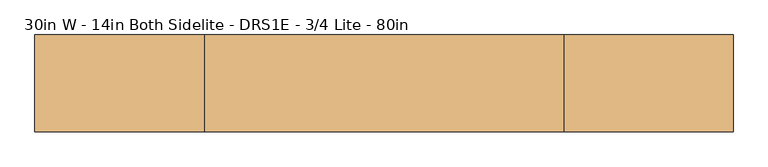
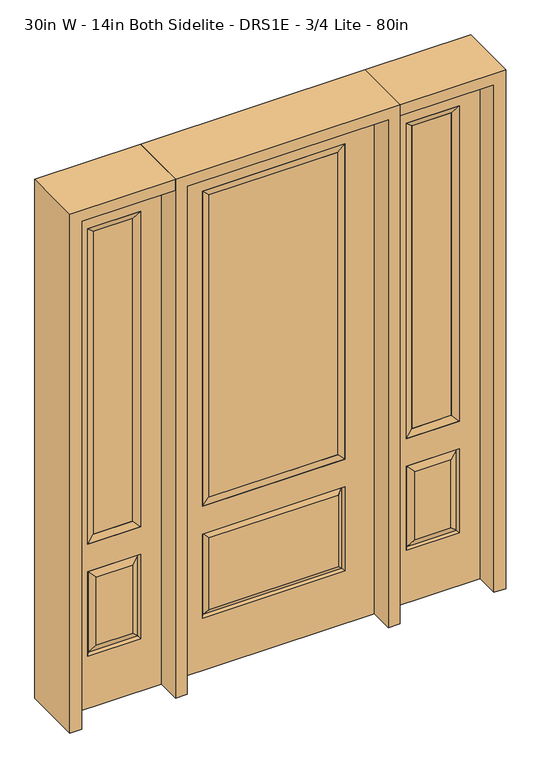
"""IFC4 building model written with IfcOpenShell, lengths in millimetres: door geometry, 30in W - 14in Both Sidelite - DRS1E - 3/4 Lite - 80in."""

import ifcopenshell
import ifcopenshell.guid

model = None  # the IFC model being written
_history = None  # IfcOwnerHistory: only IFC2X3 demands one
_inside = {}  # id of a spatial element -> (the spatial element, [elements in it])
_under = {}  # id of a project, library or spatial element -> (it, [spatial elements below it])
_declared = {}  # id of a project -> (the project, [libraries it declares])
_typed = {}  # id of a type object -> (the type object, [elements of that type])
_made_of = {}  # id of a material, layer set ... -> (it, [elements and type objects made of it])


def new_model(schema):
    """Start an empty IFC model of exactly this schema.

    Asked for "IFC4X3", IfcOpenShell would pick the latest addendum, in which some entities
    have other attributes; the version numbers below select the first issue.
    IFC2X3 requires an IfcOwnerHistory on every rooted entity: one is made here for all.
    """
    global model, _history
    if schema == "IFC4X3":
        model = ifcopenshell.file(schema_version=(4, 3, 0, 0))
    else:
        model = ifcopenshell.file(schema=schema)
    _inside.clear()
    _under.clear()
    _declared.clear()
    _typed.clear()
    _made_of.clear()
    _history = None
    if model.schema == "IFC2X3":
        org = make("IfcOrganization", Name="unknown")
        user = make(
            "IfcPersonAndOrganization",
            ThePerson=make("IfcPerson", FamilyName="unknown"),
            TheOrganization=org,
        )
        app = make(
            "IfcApplication",
            ApplicationDeveloper=org,
            Version="unknown",
            ApplicationFullName="unknown",
            ApplicationIdentifier="unknown",
        )
        _history = make(
            "IfcOwnerHistory",
            OwningUser=user,
            OwningApplication=app,
            ChangeAction="ADDED",
            CreationDate=0,
        )
    return model


def make(cls, **values):
    """One entity of the class cls with the attributes given. An attribute that is None is left unset."""
    return model.create_entity(
        cls, **{name: value for name, value in values.items() if value is not None}
    )


def rooted(cls, **values):
    """An entity with a GlobalId (a new one), such as an element, a storey or a relation."""
    return make(cls, GlobalId=ifcopenshell.guid.new(), OwnerHistory=_history, **values)


def si_unit(unit_type, name, prefix=None):
    """IfcSIUnit, for example si_unit("LENGTHUNIT", "METRE", prefix="MILLI")."""
    return make("IfcSIUnit", UnitType=unit_type, Prefix=prefix, Name=name)


def assignment(units):
    """IfcUnitAssignment: the units of a project."""
    return None if units is None else make("IfcUnitAssignment", Units=units)


def point(xyz):
    """IfcCartesianPoint."""
    return None if xyz is None else make("IfcCartesianPoint", Coordinates=xyz)


def direction(xyz):
    """IfcDirection."""
    return None if xyz is None else make("IfcDirection", DirectionRatios=xyz)


def frame(location, z_axis=None, x_axis=None):
    """IfcAxis2Placement3D, a coordinate frame: its origin and axes. An axis left out is left unset."""
    return make(
        "IfcAxis2Placement3D",
        Location=point(location),
        Axis=direction(z_axis),
        RefDirection=direction(x_axis),
    )


def origin():
    """The frame at (0, 0, 0) with its axes left unset."""
    return frame((0.0, 0.0, 0.0))


def place(relative_to, where):
    """IfcLocalPlacement: puts the frame where relative to a parent placement (None: the world)."""
    return make(
        "IfcLocalPlacement", PlacementRelTo=relative_to, RelativePlacement=where
    )


def context(
    kind, dimensions, precision=None, world=None, true_north=None, identifier=None
):
    """IfcGeometricRepresentationContext, for example the 3D "Model" context."""
    return make(
        "IfcGeometricRepresentationContext",
        ContextIdentifier=identifier,
        ContextType=kind,
        CoordinateSpaceDimension=dimensions,
        Precision=precision,
        WorldCoordinateSystem=world,
        TrueNorth=true_north,
    )


def project(units=None, contexts=None):
    """IfcProject with its units and contexts."""
    return rooted(
        "IfcProject",
        Name="project",
        RepresentationContexts=contexts,
        UnitsInContext=assignment(units),
    )


def spatial(cls, under=None, at=None, **own):
    """A site, building, storey or space (cls), placed at a placement, below another one or the project."""
    s = rooted(cls, ObjectPlacement=at, **own)
    if under is not None:
        _under.setdefault(under.id(), (under, []))[1].append(s)
    return s


def polyline(points):
    """IfcPolyline through the points."""
    return make("IfcPolyline", Points=[point(p) for p in points])


def outline(outer, holes=None, kind="AREA"):
    """IfcArbitraryClosedProfileDef: a profile drawn as a closed curve; with holes, ...WithVoids."""
    if holes is None:
        return make("IfcArbitraryClosedProfileDef", ProfileType=kind, OuterCurve=outer)
    return make(
        "IfcArbitraryProfileDefWithVoids",
        ProfileType=kind,
        OuterCurve=outer,
        InnerCurves=holes,
    )


def extrude(swept, where, along, depth):
    """IfcExtrudedAreaSolid: the profile swept, set in the frame where, extruded along a direction by depth."""
    return make(
        "IfcExtrudedAreaSolid",
        SweptArea=swept,
        Position=where,
        ExtrudedDirection=direction(along),
        Depth=depth,
    )


def faces_of(points, faces, orient=None, outer=None):
    """IfcFace entities. A face is a list of loops; a loop is a list of indices into points, from 0.

    orient and outer hold one flag for each loop. By default every Orientation is true, the
    first loop of a face is its IfcFaceOuterBound and the others are IfcFaceBound.
    """
    made = []
    for i, loops in enumerate(faces):
        bounds = []
        for j, loop in enumerate(loops):
            is_outer = j == 0 if outer is None else outer[i][j]
            bounds.append(
                make(
                    "IfcFaceOuterBound" if is_outer else "IfcFaceBound",
                    Bound=make("IfcPolyLoop", Polygon=[points[k] for k in loop]),
                    Orientation=True if orient is None else orient[i][j],
                )
            )
        made.append(make("IfcFace", Bounds=bounds))
    return made


def faceted_brep(points, faces, orient=None, outer=None, voids=None):
    """IfcFacetedBrep: a solid bounded by flat faces; with voids (closed shells), ...WithVoids."""
    shared = [point(p) for p in points]
    hull = make("IfcClosedShell", CfsFaces=faces_of(shared, faces, orient, outer))
    if voids is None:
        return make("IfcFacetedBrep", Outer=hull)
    return make(
        "IfcFacetedBrepWithVoids",
        Outer=hull,
        Voids=[
            make(cls, CfsFaces=faces_of(shared, fs, o, b)) for cls, fs, o, b in voids
        ],
    )


def shape(context_of_items, identifier, shape_type, items):
    """IfcShapeRepresentation: the items that make up one representation, for example the "Body"."""
    return make(
        "IfcShapeRepresentation",
        ContextOfItems=context_of_items,
        RepresentationIdentifier=identifier,
        RepresentationType=shape_type,
        Items=items,
    )


def source(mapping_origin, context_of_items, identifier, shape_type, items):
    """IfcRepresentationMap: a shape defined once, which mapped items show again and again."""
    return make(
        "IfcRepresentationMap",
        MappingOrigin=mapping_origin,
        MappedRepresentation=shape(context_of_items, identifier, shape_type, items),
    )


def transform(
    local_origin,
    x_axis=None,
    y_axis=None,
    z_axis=None,
    scale=None,
    scale2=None,
    scale3=None,
    uniform=True,
):
    """IfcCartesianTransformationOperator3D, or its non-uniform kind. x_axis, y_axis, z_axis: its Axis1, 2, 3."""
    if uniform:
        return make(
            "IfcCartesianTransformationOperator3D",
            Axis1=direction(x_axis),
            Axis2=direction(y_axis),
            LocalOrigin=point(local_origin),
            Scale=scale,
            Axis3=direction(z_axis),
        )
    return make(
        "IfcCartesianTransformationOperator3DnonUniform",
        Axis1=direction(x_axis),
        Axis2=direction(y_axis),
        LocalOrigin=point(local_origin),
        Scale=scale,
        Axis3=direction(z_axis),
        Scale2=scale2,
        Scale3=scale3,
    )


def mapped(mapping_source, mapping_target):
    """IfcMappedItem: shows the shape of a source again, moved by a transform."""
    return make(
        "IfcMappedItem", MappingSource=mapping_source, MappingTarget=mapping_target
    )


def made_of(thing, what):
    """Note that an element or type object is made of a material, layer set ...; save() writes the relation."""
    if what is not None:
        _made_of.setdefault(what.id(), (what, []))[1].append(thing)
    return thing


def element(
    cls,
    number,
    at=None,
    inside=None,
    cuts=None,
    type_object=None,
    material=None,
    context=None,
    identifier="Body",
    shape_type=None,
    held_by="IfcProductDefinitionShape",
    body=None,
    shapes=None,
    **own,
):
    """One element of the class cls, such as IfcWall. Its Tag is "e" and its number.

    at: its placement. inside: the storey or other place that contains it. cuts: it is an
    opening in that element (IfcRelVoidsElement). A single representation is given by context,
    identifier, shape_type and body (its items); several are given by shapes. held_by: the class
    of the entity that holds the representations. save() writes the other relations.
    """
    e = rooted(cls, Tag="e%d" % number, ObjectPlacement=at, **own)
    if body is not None:
        shapes = [shape(context, identifier, shape_type, body)]
    if shapes is not None:
        e.Representation = make(held_by, Representations=shapes)
    if inside is not None:
        _inside.setdefault(inside.id(), (inside, []))[1].append(e)
    if cuts is not None:
        rooted(
            "IfcRelVoidsElement", RelatingBuildingElement=cuts, RelatedOpeningElement=e
        )
    if type_object is not None:
        _typed.setdefault(type_object.id(), (type_object, []))[1].append(e)
    return made_of(e, material)


def aggregate(whole, parts):
    """IfcRelAggregates: a whole, such as a stair, and the parts it consists of."""
    return rooted("IfcRelAggregates", RelatingObject=whole, RelatedObjects=parts)


def save(model, path):
    """Write the relations noted so far, then the file.

    IfcRelAggregates (storeys below a building ...), IfcRelContainedInSpatialStructure (elements
    in a storey), IfcRelDefinesByType, IfcRelAssociatesMaterial and IfcRelDeclares: one each for
    every whole, place, type object, material and project.
    """
    for whole, parts in _under.values():
        aggregate(whole, parts)
    for where, things in _inside.values():
        rooted(
            "IfcRelContainedInSpatialStructure",
            RelatedElements=things,
            RelatingStructure=where,
        )
    for kind, things in _typed.values():
        rooted("IfcRelDefinesByType", RelatedObjects=things, RelatingType=kind)
    for what, things in _made_of.values():
        rooted("IfcRelAssociatesMaterial", RelatedObjects=things, RelatingMaterial=what)
    for by, libraries in _declared.values():
        rooted("IfcRelDeclares", RelatingContext=by, RelatedDefinitions=libraries)
    model.write(path)


def door_30in_w_14in_both_sidelite_drs1e_3_4_lite_80in_07d39ec7(model_context):
    return source(origin(), model_context, "Body", "SolidModel", [
        faceted_brep([(425.45, -22.225, 0.0), (781.05, -22.225, 0.0), (781.05, -22.225, 2032.0), (425.45, -22.225, 2032.0), (703.58, -22.225, 1919.224), (703.58, -22.225, 657.098), (502.92, -22.225, 657.098), (502.92, -22.225, 1919.224), (703.58, -22.225, 209.55), (502.92, -22.225, 209.55), (502.92, -22.225, 546.1), (703.58, -22.225, 546.1), (534.6351001, -22.225, 241.2651001), (671.8648999, -22.225, 241.2651001), (671.8648999, -22.225, 514.3848999), (534.6351001, -22.225, 514.3848999), (425.45, 22.225, 0.0), (425.45, 22.225, 2032.0), (781.05, 22.225, 2032.0), (781.05, 22.225, 0.0), (703.58, 22.225, 1919.224), (502.92, 22.225, 1919.224), (502.92, 22.225, 657.098), (703.58, 22.225, 657.098), (502.92, 22.225, 209.55), (703.58, 22.225, 209.55), (703.58, 22.225, 546.1), (502.92, 22.225, 546.1), (671.8648999, 22.225, 241.2651001), (534.6351001, 22.225, 241.2651001), (534.6351001, 22.225, 514.3848999), (671.8648999, 22.225, 514.3848999), (696.4711499, 12.7912373, 216.6588501), (510.0288501, 12.7912373, 216.6588501), (510.0288501, 12.7912373, 538.9911499), (696.4711499, 12.7912373, 538.9911499), (510.0288501, -12.7912373, 216.6588501), (696.4711499, -12.7912373, 216.6588501), (510.0288501, -12.7912373, 538.9911499), (696.4711499, -12.7912373, 538.9911499)], [[[0, 1, 2, 3], [4, 5, 6, 7], [8, 9, 10, 11]], [[12, 13, 14, 15]], [[16, 17, 18, 19], [20, 21, 22, 23], [24, 25, 26, 27]], [[28, 29, 30, 31]], [[1, 0, 16, 19]], [[2, 1, 19, 18]], [[3, 2, 18, 17]], [[0, 3, 17, 16]], [[5, 4, 20, 23]], [[6, 5, 23, 22]], [[7, 6, 22, 21]], [[4, 7, 21, 20]], [[32, 33, 29, 28]], [[33, 32, 25, 24]], [[29, 33, 34, 30]], [[33, 24, 27, 34]], [[30, 34, 35, 31]], [[34, 27, 26, 35]], [[32, 28, 31, 35]], [[25, 32, 35, 26]], [[12, 36, 37, 13]], [[37, 36, 9, 8]], [[36, 12, 15, 38]], [[9, 36, 38, 10]], [[38, 15, 14, 39]], [[10, 38, 39, 11]], [[13, 37, 39, 14]], [[37, 8, 11, 39]]]),
        faceted_brep([(502.92, 22.225, 1919.224), (502.92, -22.225, 1919.224), (703.58, -22.225, 1919.224), (703.58, 22.225, 1919.224), (528.32, 12.7, 1893.824), (678.18, 12.7, 1893.824), (528.32, -12.7, 1893.824), (678.18, -12.7, 1893.824), (703.58, -22.225, 657.098), (703.58, 22.225, 657.098), (678.18, 12.7, 682.498), (678.18, -12.7, 682.498), (502.92, -22.225, 657.098), (502.92, 22.225, 657.098), (528.32, 12.7, 682.498), (528.32, -12.7, 682.498)], [[[0, 1, 2, 3]], [[4, 0, 3, 5]], [[6, 4, 5, 7]], [[1, 6, 7, 2]], [[3, 2, 8, 9]], [[5, 3, 9, 10]], [[7, 5, 10, 11]], [[2, 7, 11, 8]], [[9, 8, 12, 13]], [[10, 9, 13, 14]], [[11, 10, 14, 15]], [[8, 11, 15, 12]], [[13, 12, 1, 0]], [[14, 13, 0, 4]], [[15, 14, 4, 6]], [[12, 15, 6, 1]]]),
        extrude(outline(polyline([(678.18, -12.7), (528.32, -12.7), (528.32, 12.7), (678.18, 12.7), (678.18, -12.7)])), frame((0.0, 0.0, 682.498), z_axis=(0.0, 0.0, 1.0), x_axis=(1.0, 0.0, 0.0)), (0.0, 0.0, 1.0), 1211.326),
        faceted_brep([(-781.05, -22.225, 0.0), (-425.45, -22.225, 0.0), (-425.45, -22.225, 2032.0), (-781.05, -22.225, 2032.0), (-502.92, -22.225, 1919.224), (-502.92, -22.225, 657.098), (-703.58, -22.225, 657.098), (-703.58, -22.225, 1919.224), (-502.92, -22.225, 209.55), (-703.58, -22.225, 209.55), (-703.58, -22.225, 546.1), (-502.92, -22.225, 546.1), (-671.8648999, -22.225, 241.2651001), (-534.6351001, -22.225, 241.2651001), (-534.6351001, -22.225, 514.3848999), (-671.8648999, -22.225, 514.3848999), (-781.05, 22.225, 0.0), (-781.05, 22.225, 2032.0), (-425.45, 22.225, 2032.0), (-425.45, 22.225, 0.0), (-502.92, 22.225, 1919.224), (-703.58, 22.225, 1919.224), (-703.58, 22.225, 657.098), (-502.92, 22.225, 657.098), (-703.58, 22.225, 209.55), (-502.92, 22.225, 209.55), (-502.92, 22.225, 546.1), (-703.58, 22.225, 546.1), (-534.6351001, 22.225, 241.2651001), (-671.8648999, 22.225, 241.2651001), (-671.8648999, 22.225, 514.3848999), (-534.6351001, 22.225, 514.3848999), (-510.0288501, 12.7912373, 216.6588501), (-696.4711499, 12.7912373, 216.6588501), (-696.4711499, 12.7912373, 538.9911499), (-510.0288501, 12.7912373, 538.9911499), (-696.4711499, -12.7912373, 216.6588501), (-510.0288501, -12.7912373, 216.6588501), (-696.4711499, -12.7912373, 538.9911499), (-510.0288501, -12.7912373, 538.9911499)], [[[0, 1, 2, 3], [4, 5, 6, 7], [8, 9, 10, 11]], [[12, 13, 14, 15]], [[16, 17, 18, 19], [20, 21, 22, 23], [24, 25, 26, 27]], [[28, 29, 30, 31]], [[1, 0, 16, 19]], [[2, 1, 19, 18]], [[3, 2, 18, 17]], [[0, 3, 17, 16]], [[5, 4, 20, 23]], [[6, 5, 23, 22]], [[7, 6, 22, 21]], [[4, 7, 21, 20]], [[32, 33, 29, 28]], [[33, 32, 25, 24]], [[29, 33, 34, 30]], [[33, 24, 27, 34]], [[30, 34, 35, 31]], [[34, 27, 26, 35]], [[32, 28, 31, 35]], [[25, 32, 35, 26]], [[12, 36, 37, 13]], [[37, 36, 9, 8]], [[36, 12, 15, 38]], [[9, 36, 38, 10]], [[38, 15, 14, 39]], [[10, 38, 39, 11]], [[13, 37, 39, 14]], [[37, 8, 11, 39]]]),
        faceted_brep([(-703.58, 22.225, 1919.224), (-703.58, -22.225, 1919.224), (-502.92, -22.225, 1919.224), (-502.92, 22.225, 1919.224), (-678.18, 12.7, 1893.824), (-528.32, 12.7, 1893.824), (-678.18, -12.7, 1893.824), (-528.32, -12.7, 1893.824), (-502.92, -22.225, 657.098), (-502.92, 22.225, 657.098), (-528.32, 12.7, 682.498), (-528.32, -12.7, 682.498), (-703.58, -22.225, 657.098), (-703.58, 22.225, 657.098), (-678.18, 12.7, 682.498), (-678.18, -12.7, 682.498)], [[[0, 1, 2, 3]], [[4, 0, 3, 5]], [[6, 4, 5, 7]], [[1, 6, 7, 2]], [[3, 2, 8, 9]], [[5, 3, 9, 10]], [[7, 5, 10, 11]], [[2, 7, 11, 8]], [[9, 8, 12, 13]], [[10, 9, 13, 14]], [[11, 10, 14, 15]], [[8, 11, 15, 12]], [[13, 12, 1, 0]], [[14, 13, 0, 4]], [[15, 14, 4, 6]], [[12, 15, 6, 1]]]),
        extrude(outline(polyline([(-528.32, -12.7), (-678.18, -12.7), (-678.18, 12.7), (-528.32, 12.7), (-528.32, -12.7)])), frame((0.0, 0.0, 682.498), z_axis=(0.0, 0.0, 1.0), x_axis=(1.0, 0.0, 0.0)), (0.0, 0.0, 1.0), 1211.326),
        faceted_brep([(-262.7661499, -12.7912373, 216.6588501), (262.7661499, -12.7912373, 216.6588501), (245.26875, -22.225, 234.15625), (-245.26875, -22.225, 234.15625), (-269.875, -22.225, 209.55), (269.875, -22.225, 209.55), (-262.7661499, -12.7912373, 538.9911499), (-269.875, -22.225, 546.1), (245.26875, -22.225, 521.49375), (-245.26875, -22.225, 521.49375), (381.0, -22.225, 2032.0), (-381.0, -22.225, 2032.0), (-381.0, -22.225, 0.0), (381.0, -22.225, 0.0), (269.875, -22.225, 546.1), (269.875, -22.225, 1917.7), (269.875, -22.225, 657.098), (-269.875, -22.225, 657.098), (-269.875, -22.225, 1917.7), (262.7661499, -12.7912373, 538.9911499), (-381.0, 22.225, 2032.0), (-381.0, 22.225, 0.0), (381.0, 22.225, 0.0), (381.0, 22.225, 2032.0), (269.875, 22.225, 1917.7), (269.875, 22.225, 657.098), (-269.875, 22.225, 657.098), (-269.875, 22.225, 1917.7), (-269.875, 22.225, 209.55), (269.875, 22.225, 209.55), (269.875, 22.225, 546.1), (-269.875, 22.225, 546.1), (245.26875, 22.225, 234.15625), (-245.26875, 22.225, 234.15625), (-245.26875, 22.225, 521.49375), (245.26875, 22.225, 521.49375), (-262.7661499, 12.7912373, 216.6588501), (262.7661499, 12.7912373, 216.6588501), (262.7661499, 12.7912373, 538.9911499), (-262.7661499, 12.7912373, 538.9911499)], [[[0, 1, 2, 3]], [[1, 0, 4, 5]], [[4, 0, 6, 7]], [[3, 2, 8, 9]], [[10, 11, 12, 13], [5, 4, 7, 14], [15, 16, 17, 18]], [[1, 5, 14, 19]], [[2, 1, 19, 8]], [[0, 3, 9, 6]], [[7, 6, 19, 14]], [[6, 9, 8, 19]], [[12, 11, 20, 21]], [[13, 12, 21, 22]], [[10, 13, 22, 23]], [[16, 15, 24, 25]], [[17, 16, 25, 26]], [[18, 17, 26, 27]], [[23, 22, 21, 20], [28, 29, 30, 31], [24, 27, 26, 25]], [[32, 33, 34, 35]], [[28, 36, 37, 29]], [[29, 37, 38, 30]], [[39, 31, 30, 38]], [[36, 28, 31, 39]], [[37, 36, 33, 32]], [[33, 36, 39, 34]], [[34, 39, 38, 35]], [[37, 32, 35, 38]], [[11, 10, 23, 20]], [[15, 18, 27, 24]]]),
        faceted_brep([(-269.875, -22.225, 1917.7), (-269.875, 22.225, 1917.7), (-269.875, 22.225, 657.098), (-269.875, -22.225, 657.098), (269.875, 22.225, 657.098), (269.875, -22.225, 657.098), (-244.475, 5.08, 682.498), (244.475, 5.08, 682.498), (269.875, 22.225, 1917.7), (269.875, -22.225, 1917.7), (-244.475, -20.32, 682.498), (244.475, -20.32, 682.498), (-244.475, -20.32, 1892.3), (244.475, -20.32, 1892.3), (-244.475, 5.08, 1892.3), (244.475, 5.08, 1892.3)], [[[0, 1, 2, 3]], [[3, 2, 4, 5]], [[2, 6, 7, 4]], [[5, 4, 8, 9]], [[10, 3, 5, 11]], [[12, 0, 3, 10]], [[11, 5, 9, 13]], [[6, 10, 11, 7]], [[14, 12, 10, 6]], [[7, 11, 13, 15]], [[1, 14, 6, 2]], [[4, 7, 15, 8]], [[9, 8, 1, 0]], [[13, 9, 0, 12]], [[15, 13, 12, 14]], [[8, 15, 14, 1]]]),
        extrude(outline(polyline([(244.475, -20.32), (-244.475, -20.32), (-244.475, 5.08), (244.475, 5.08), (244.475, -20.32)])), frame((0.0, 0.0, 682.498), z_axis=(0.0, 0.0, 1.0), x_axis=(1.0, 0.0, 0.0)), (0.0, 0.0, 1.0), 1209.802),
        extrude(outline(polyline([(2032.0, -425.45), (2076.45, -425.45), (2076.45, -825.5), (0.0, -825.5), (0.0, -781.05), (2032.0, -781.05), (2032.0, -425.45)])), frame((0.0, -114.3, 0.0), z_axis=(0.0, 1.0, 0.0), x_axis=(0.0, 0.0, 1.0)), (0.0, 0.0, 1.0), 228.6),
        extrude(outline(polyline([(2076.45, -425.45), (0.0, -425.45), (0.0, -381.0), (2032.0, -381.0), (2032.0, 381.0), (0.0, 381.0), (0.0, 425.45), (2076.45, 425.45), (2076.45, -425.45)])), frame((0.0, -114.3, 0.0), z_axis=(0.0, 1.0, 0.0), x_axis=(0.0, 0.0, 1.0)), (0.0, 0.0, 1.0), 228.6),
        extrude(outline(polyline([(0.0, 781.05), (0.0, 825.5), (2076.45, 825.5), (2076.45, 425.45), (2032.0, 425.45), (2032.0, 781.05), (0.0, 781.05)])), frame((0.0, -114.3, 0.0), z_axis=(0.0, 1.0, 0.0), x_axis=(0.0, 0.0, 1.0)), (0.0, 0.0, 1.0), 228.6),
    ])


if __name__ == "__main__":
    model = new_model("IFC4")
    model_context = context("Model", 3, world=origin())
    ifc_project = project(units=[si_unit("LENGTHUNIT", "METRE", prefix="MILLI")], contexts=[model_context])
    site = spatial("IfcSite", under=ifc_project)
    building = spatial("IfcBuilding", under=site)
    placement = place(None, origin())
    door_30in_w_14in_both_sidelite_drs1e_3_4_lite_80in_shape = door_30in_w_14in_both_sidelite_drs1e_3_4_lite_80in_07d39ec7(model_context)
    element("IfcDoor", 1, ObjectType="30in W - 14in Both Sidelite - DRS1E - 3/4 Lite - 80in", at=placement, inside=building, context=model_context, shape_type="MappedRepresentation", body=[
        mapped(door_30in_w_14in_both_sidelite_drs1e_3_4_lite_80in_shape, transform((0.0, 0.0, 0.0), x_axis=(1.0, 0.0, 0.0), y_axis=(0.0, 1.0, 0.0), z_axis=(0.0, 0.0, 1.0))),
    ])
    save(model, "model.ifc")
